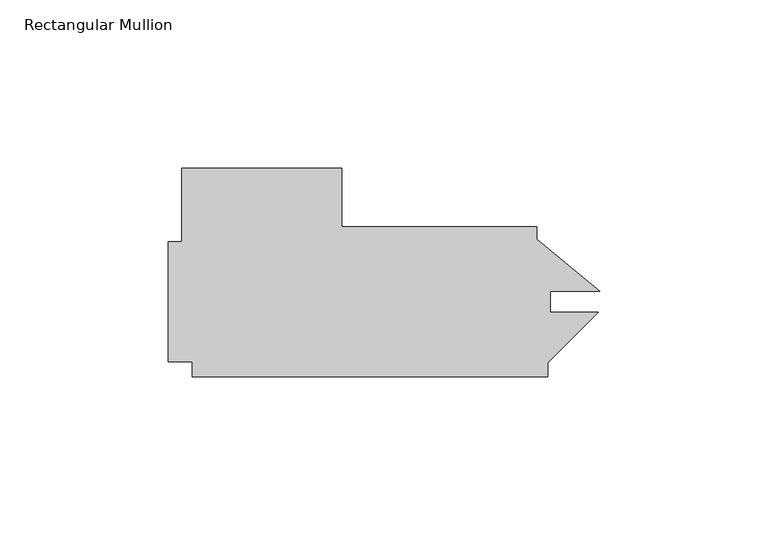
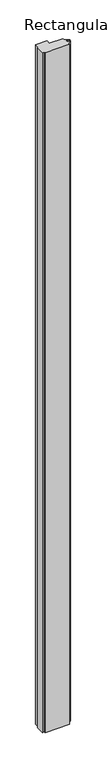
"""IFC4 building model written with IfcOpenShell, lengths in millimetres: member geometry, Rectangular Mullion."""

from ifc_helpers import new_model, si_unit, frame, origin, place, context, project, spatial, polyline, outline, extrude, source, transform, mapped, element, save


def rectangular_mullion_7b9b5333(model_context):
    return source(origin(), model_context, "Body", "SweptSolid", [
        extrude(outline(polyline([(-124.2587188, -57.15), (-76.6337188, -57.15), (-76.6337188, -74.5998), (-18.6963188, -74.5998), (-18.6963188, -78.305964), (0.0, -93.6454423), (-14.7339188, -93.6454423), (-14.7339188, -99.9994135), (-0.5142003, -99.9994135), (-15.4093746, -114.8945878), (-15.4093746, -119.0498), (-121.0837188, -119.0498), (-121.0837188, -114.684175), (-128.2211188, -114.684175), (-128.2211188, -78.965425), (-124.2587188, -78.965425), (-124.2587188, -57.15)])), frame((0.0, 0.0, -3048.0), z_axis=(0.0, 0.0, 1.0), x_axis=(1.0, 0.0, 0.0)), (0.0, 0.0, 1.0), 3048.0),
    ])


if __name__ == "__main__":
    model = new_model("IFC4")
    model_context = context("Model", 3, world=origin())
    ifc_project = project(units=[si_unit("LENGTHUNIT", "METRE", prefix="MILLI")], contexts=[model_context])
    site = spatial("IfcSite", under=ifc_project)
    building = spatial("IfcBuilding", under=site)
    placement = place(None, origin())
    rectangular_mullion_shape = rectangular_mullion_7b9b5333(model_context)
    element("IfcMember", 1, ObjectType="Rectangular Mullion", at=placement, inside=building, context=model_context, shape_type="MappedRepresentation", body=[
        mapped(rectangular_mullion_shape, transform((0.0, 0.0, 0.0), x_axis=(1.0, 0.0, 0.0), y_axis=(0.0, 1.0, 0.0), z_axis=(0.0, 0.0, 1.0))),
    ])
    save(model, "model.ifc")
